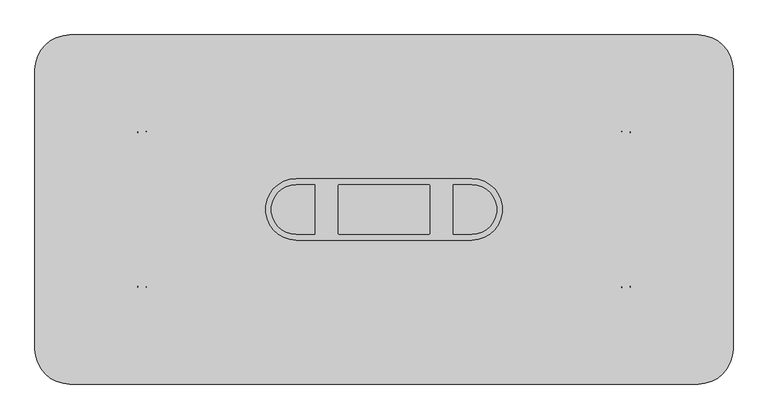
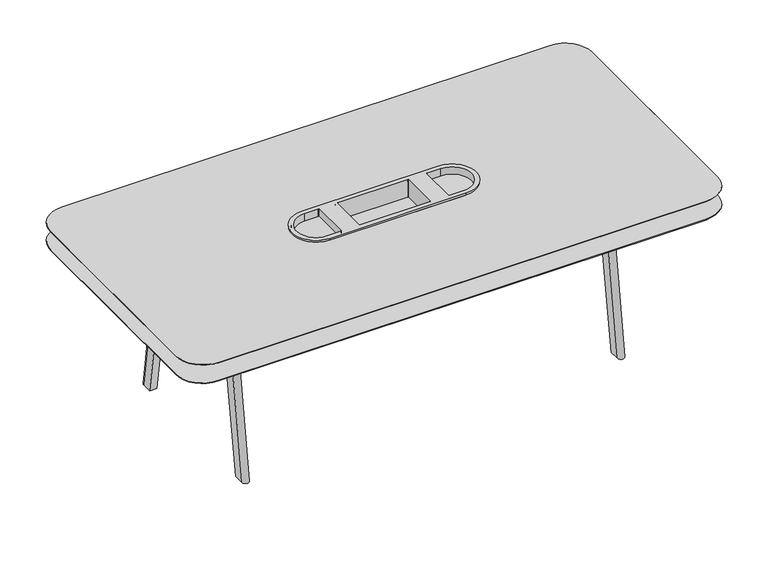
"""IFC4 building model written with IfcOpenShell, lengths in millimetres: furniture geometry."""

from ifc_helpers import new_model, si_unit, point, frame, frame_2d, origin, place, context, project, spatial, polyline, circle_curve, trimmed, segment, composite_curve, outline, extrude, source, transform, mapped, element, save
from ifc_brep_helpers import plane_surface, cylinder_surface, revolved_surface, extruded_surface, spline_surface, advanced_brep


def furniture_a4ee8072(model_context):
    return source(origin(), model_context, "Body", "SolidModel", [
        advanced_brep(
        [(-965.2126446, 612.4376784, 1001.6604441), (-965.2126446, 344.70244, 1001.6604441), (-198.6152508, 344.70244, 1001.6604441), (-198.6152508, 612.4376784, 1001.6604441), (-884.5666345, 584.0699817, 1001.6604441), (-884.5666345, 373.0701368, 1001.6604441), (-887.7416345, 369.8951368, 1001.6604441), (-965.1999637, 369.8951368, 1001.6604441), (-965.1999637, 587.2449817, 1001.6604441), (-887.7416345, 587.2449817, 1001.6604441), (-276.0862609, 369.8951368, 1001.6604441), (-279.2612609, 373.0701368, 1001.6604441), (-279.2612609, 584.0699817, 1001.6604441), (-276.0862609, 587.2449817, 1001.6604441), (-198.6279317, 587.2449817, 1001.6604441), (-198.6279317, 369.8951368, 1001.6604441), (-386.040826, 369.8951368, 1001.6604441), (-777.7870693, 369.8951368, 1001.6604441), (-780.9620693, 373.0701368, 1001.6604441), (-780.9620693, 584.0699817, 1001.6604441), (-777.7870693, 587.2449817, 1001.6604441), (-386.040826, 587.2449817, 1001.6604441), (-382.865826, 584.0699817, 1001.6604441), (-382.865826, 373.0701368, 1001.6604441), (-965.2126446, 612.4376784, 990.6), (-198.6152508, 612.4376784, 990.6), (-198.6152508, 344.70244, 990.6), (-965.2126446, 344.70244, 990.6), (-291.9612609, 584.0699817, 990.6), (-291.9612609, 373.0701368, 990.6), (-276.0862609, 357.1951368, 990.6), (-198.6279317, 357.1951368, 990.6), (-198.6279317, 599.9449817, 990.6), (-276.0862609, 599.9449817, 990.6), (-871.8666345, 584.0699817, 990.6), (-887.7416345, 599.9449817, 990.6), (-965.1999637, 599.9449817, 990.6), (-965.1999637, 357.1951368, 990.6), (-887.7416345, 357.1951368, 990.6), (-871.8666345, 373.0701368, 990.6), (-386.040826, 357.1951368, 990.6), (-370.165826, 373.0701368, 990.6), (-370.165826, 584.0699817, 990.6), (-386.040826, 599.9449817, 990.6), (-777.7870693, 599.9449817, 990.6), (-793.6620693, 584.0699817, 990.6), (-793.6620693, 373.0701368, 990.6), (-777.7870693, 357.1951368, 990.6), (-884.5666345, 373.0701368, 957.6625001), (-884.5666345, 584.0699817, 957.6625001), (-887.7416345, 587.2449817, 957.6625001), (-965.1999637, 587.2449817, 957.6625001), (-965.1999637, 369.8951368, 957.6625001), (-887.7416345, 369.8951368, 957.6625001), (-279.2612609, 373.0701368, 957.6625001), (-276.0862609, 369.8951368, 957.6625001), (-198.6279317, 369.8951368, 957.6625001), (-198.6279317, 587.2449817, 957.6625001), (-276.0862609, 587.2449817, 957.6625001), (-279.2612609, 584.0699817, 957.6625001), (-777.7870693, 369.8951368, 990.6), (-386.040826, 369.8951368, 990.6), (-386.040826, 369.8951368, 896.728609), (-777.7870693, 369.8951368, 896.728609), (-382.865826, 373.0701368, 990.6), (-382.865826, 584.0699817, 990.6), (-382.865826, 584.0699817, 896.728609), (-382.865826, 373.0701368, 896.728609), (-386.040826, 587.2449817, 990.6), (-777.7870693, 587.2449817, 990.6), (-777.7870693, 587.2449817, 896.728609), (-386.040826, 587.2449817, 896.728609), (-780.9620693, 584.0699817, 990.6), (-780.9620693, 373.0701368, 990.6), (-780.9620693, 373.0701368, 896.728609), (-780.9620693, 584.0699817, 896.728609), (-291.9612609, 584.0699817, 952.5), (-276.0862609, 599.9449817, 952.5), (-198.6279317, 599.9449817, 952.5), (-198.6279317, 357.1951368, 952.5), (-276.0862609, 357.1951368, 952.5), (-291.9612609, 373.0701368, 952.5), (-871.8666345, 584.0699817, 952.5), (-871.8666345, 373.0701368, 952.5), (-887.7416345, 357.1951368, 952.5), (-965.1999637, 357.1951368, 952.5), (-965.1999637, 599.9449817, 952.5), (-887.7416345, 599.9449817, 952.5), (-386.040826, 357.1951368, 890.2195719), (-777.7870693, 357.1951368, 890.2195719), (-793.6620693, 373.0701368, 890.2195719), (-793.6620693, 584.0699817, 890.2195719), (-777.7870693, 599.9449817, 890.2195719), (-386.040826, 599.9449817, 890.2195719), (-370.165826, 584.0699817, 890.2195719), (-370.165826, 373.0701368, 890.2195719)],
        [
            (0, 1, circle_curve(frame((-965.2126446, 478.5700592, 1001.6604441), z_axis=(0.0, 0.0, 1.0), x_axis=(1.0, 0.0, 0.0)), 133.8676192)),
            (1, 2),
            (2, 3, circle_curve(frame((-198.6152508, 478.5700592, 1001.6604441), z_axis=(0.0, 0.0, 1.0), x_axis=(1.0, 0.0, 0.0)), 133.8676192)),
            (3, 0),
            (4, 5),
            (5, 6, circle_curve(frame((-887.7416345, 373.0701368, 1001.6604441), z_axis=(0.0, 0.0, -1.0), x_axis=(1.0, 0.0, 0.0)), 3.175)),
            (6, 7),
            (7, 8, circle_curve(frame((-965.1999637, 478.5700592, 1001.6604441), z_axis=(0.0, 0.0, -1.0), x_axis=(-1.0, 0.0, 0.0)), 108.6749224)),
            (8, 9),
            (9, 4, circle_curve(frame((-887.7416345, 584.0699817, 1001.6604441), z_axis=(0.0, 0.0, -1.0), x_axis=(1.0, 0.0, 0.0)), 3.175)),
            (10, 11, circle_curve(frame((-276.0862609, 373.0701368, 1001.6604441), z_axis=(0.0, 0.0, -1.0), x_axis=(-1.0, 0.0, 0.0)), 3.175)),
            (11, 12),
            (12, 13, circle_curve(frame((-276.0862609, 584.0699817, 1001.6604441), z_axis=(0.0, 0.0, -1.0), x_axis=(-1.0, 0.0, 0.0)), 3.175)),
            (13, 14),
            (14, 15, circle_curve(frame((-198.6279317, 478.5700592, 1001.6604441), z_axis=(0.0, 0.0, -1.0), x_axis=(1.0, 0.0, 0.0)), 108.6749224)),
            (15, 10),
            (16, 17),
            (17, 18, circle_curve(frame((-777.7870693, 373.0701368, 1001.6604441), z_axis=(0.0, 0.0, -1.0), x_axis=(1.0, 0.0, 0.0)), 3.175)),
            (18, 19),
            (19, 20, circle_curve(frame((-777.7870693, 584.0699817, 1001.6604441), z_axis=(0.0, 0.0, -1.0), x_axis=(1.0, 0.0, 0.0)), 3.175)),
            (20, 21),
            (21, 22, circle_curve(frame((-386.040826, 584.0699817, 1001.6604441), z_axis=(0.0, 0.0, -1.0), x_axis=(1.0, 0.0, 0.0)), 3.175)),
            (22, 23),
            (23, 16, circle_curve(frame((-386.040826, 373.0701368, 1001.6604441), z_axis=(0.0, 0.0, -1.0), x_axis=(1.0, 0.0, 0.0)), 3.175)),
            (24, 25),
            (25, 26, circle_curve(frame((-198.6152508, 478.5700592, 990.6), z_axis=(0.0, 0.0, -1.0), x_axis=(1.0, 0.0, 0.0)), 133.8676192)),
            (26, 27),
            (27, 24, circle_curve(frame((-965.2126446, 478.5700592, 990.6), z_axis=(0.0, 0.0, -1.0), x_axis=(1.0, 0.0, 0.0)), 133.8676192)),
            (28, 29),
            (29, 30, circle_curve(frame((-276.0862609, 373.0701368, 990.6), z_axis=(0.0, 0.0, 1.0), x_axis=(1.0, 0.0, 0.0)), 15.875)),
            (30, 31),
            (31, 32, circle_curve(frame((-198.6279317, 478.5700592, 990.6), z_axis=(0.0, 0.0, 1.0), x_axis=(1.0, 0.0, 0.0)), 121.3749224)),
            (32, 33),
            (33, 28, circle_curve(frame((-276.0862609, 584.0699817, 990.6), z_axis=(0.0, 0.0, 1.0), x_axis=(1.0, 0.0, 0.0)), 15.875)),
            (34, 35, circle_curve(frame((-887.7416345, 584.0699817, 990.6), z_axis=(0.0, 0.0, 1.0), x_axis=(-1.0, 0.0, 0.0)), 15.875)),
            (35, 36),
            (36, 37, circle_curve(frame((-965.1999637, 478.5700592, 990.6), z_axis=(0.0, 0.0, 1.0), x_axis=(-1.0, 0.0, 0.0)), 121.3749224)),
            (37, 38),
            (38, 39, circle_curve(frame((-887.7416345, 373.0701368, 990.6), z_axis=(0.0, 0.0, 1.0), x_axis=(-1.0, 0.0, 0.0)), 15.875)),
            (39, 34),
            (40, 41, circle_curve(frame((-386.040826, 373.0701368, 990.6), z_axis=(0.0, 0.0, 1.0), x_axis=(1.0, 0.0, 0.0)), 15.875)),
            (41, 42),
            (42, 43, circle_curve(frame((-386.040826, 584.0699817, 990.6), z_axis=(0.0, 0.0, 1.0), x_axis=(1.0, 0.0, 0.0)), 15.875)),
            (43, 44),
            (44, 45, circle_curve(frame((-777.7870693, 584.0699817, 990.6), z_axis=(0.0, 0.0, 1.0), x_axis=(1.0, 0.0, 0.0)), 15.875)),
            (45, 46),
            (46, 47, circle_curve(frame((-777.7870693, 373.0701368, 990.6), z_axis=(0.0, 0.0, 1.0), x_axis=(1.0, 0.0, 0.0)), 15.875)),
            (47, 40),
            (0, 24),
            (27, 1),
            (26, 2),
            (25, 3),
            (48, 49),
            (49, 50, circle_curve(frame((-887.7416345, 584.0699817, 957.6625001), z_axis=(0.0, 0.0, 1.0), x_axis=(1.0, 0.0, 0.0)), 3.175)),
            (50, 51),
            (51, 52, circle_curve(frame((-965.1999637, 478.5700592, 957.6625001), z_axis=(0.0, 0.0, 1.0), x_axis=(-1.0, 0.0, 0.0)), 108.6749224)),
            (52, 53),
            (53, 48, circle_curve(frame((-887.7416345, 373.0701368, 957.6625001), z_axis=(0.0, 0.0, 1.0), x_axis=(1.0, 0.0, 0.0)), 3.175)),
            (54, 55, circle_curve(frame((-276.0862609, 373.0701368, 957.6625001), z_axis=(0.0, 0.0, 1.0), x_axis=(-1.0, 0.0, 0.0)), 3.175)),
            (55, 56),
            (56, 57, circle_curve(frame((-198.6279317, 478.5700592, 957.6625001), z_axis=(0.0, 0.0, 1.0), x_axis=(1.0, 0.0, 0.0)), 108.6749224)),
            (57, 58),
            (58, 59, circle_curve(frame((-276.0862609, 584.0699817, 957.6625001), z_axis=(0.0, 0.0, 1.0), x_axis=(-1.0, 0.0, 0.0)), 3.175)),
            (59, 54),
            (48, 5),
            (4, 49),
            (9, 50),
            (8, 51),
            (7, 52),
            (6, 53),
            (54, 11),
            (10, 55),
            (15, 56),
            (14, 57),
            (13, 58),
            (12, 59),
            (60, 17),
            (16, 61),
            (61, 62),
            (62, 63),
            (63, 60),
            (23, 64),
            (64, 61, circle_curve(frame((-386.040826, 373.0701368, 990.6), z_axis=(0.0, 0.0, -1.0), x_axis=(1.0, 0.0, 0.0)), 3.175)),
            (22, 65),
            (65, 66),
            (66, 67),
            (67, 64),
            (21, 68),
            (68, 65, circle_curve(frame((-386.040826, 584.0699817, 990.6), z_axis=(0.0, 0.0, -1.0), x_axis=(1.0, 0.0, 0.0)), 3.175)),
            (20, 69),
            (69, 70),
            (70, 71),
            (71, 68),
            (19, 72),
            (72, 69, circle_curve(frame((-777.7870693, 584.0699817, 990.6), z_axis=(0.0, 0.0, -1.0), x_axis=(1.0, 0.0, 0.0)), 3.175)),
            (18, 73),
            (73, 74),
            (74, 75),
            (75, 72),
            (60, 73, circle_curve(frame((-777.7870693, 373.0701368, 990.6), z_axis=(0.0, 0.0, -1.0), x_axis=(1.0, 0.0, 0.0)), 3.175)),
            (76, 77, circle_curve(frame((-276.0862609, 584.0699817, 952.5), z_axis=(0.0, 0.0, -1.0), x_axis=(1.0, 0.0, 0.0)), 15.875)),
            (77, 78),
            (78, 79, circle_curve(frame((-198.6279317, 478.5700592, 952.5), z_axis=(0.0, 0.0, -1.0), x_axis=(1.0, 0.0, 0.0)), 121.3749224)),
            (79, 80),
            (80, 81, circle_curve(frame((-276.0862609, 373.0701368, 952.5), z_axis=(0.0, 0.0, -1.0), x_axis=(1.0, 0.0, 0.0)), 15.875)),
            (81, 76),
            (82, 83),
            (83, 84, circle_curve(frame((-887.7416345, 373.0701368, 952.5), z_axis=(0.0, 0.0, -1.0), x_axis=(-1.0, 0.0, 0.0)), 15.875)),
            (84, 85),
            (85, 86, circle_curve(frame((-965.1999637, 478.5700592, 952.5), z_axis=(0.0, 0.0, -1.0), x_axis=(-1.0, 0.0, 0.0)), 121.3749224)),
            (86, 87),
            (87, 82, circle_curve(frame((-887.7416345, 584.0699817, 952.5), z_axis=(0.0, 0.0, -1.0), x_axis=(-1.0, 0.0, 0.0)), 15.875)),
            (81, 29),
            (28, 76),
            (80, 30),
            (79, 31),
            (78, 32),
            (77, 33),
            (87, 35),
            (34, 82),
            (86, 36),
            (85, 37),
            (84, 38),
            (83, 39),
            (88, 89),
            (89, 90, circle_curve(frame((-777.7870693, 373.0701368, 890.2195719), z_axis=(0.0, 0.0, -1.0), x_axis=(1.0, 0.0, 0.0)), 15.875)),
            (90, 91),
            (91, 92, circle_curve(frame((-777.7870693, 584.0699817, 890.2195719), z_axis=(0.0, 0.0, -1.0), x_axis=(1.0, 0.0, 0.0)), 15.875)),
            (92, 93),
            (93, 94, circle_curve(frame((-386.040826, 584.0699817, 890.2195719), z_axis=(0.0, 0.0, -1.0), x_axis=(1.0, 0.0, 0.0)), 15.875)),
            (94, 95),
            (95, 88, circle_curve(frame((-386.040826, 373.0701368, 890.2195719), z_axis=(0.0, 0.0, -1.0), x_axis=(1.0, 0.0, 0.0)), 15.875)),
            (95, 41),
            (40, 88),
            (94, 42),
            (93, 43),
            (92, 44),
            (91, 45),
            (90, 46),
            (89, 47),
            (62, 67, circle_curve(frame((-386.040826, 373.0701368, 896.728609), z_axis=(0.0, 0.0, 1.0), x_axis=(1.0, 0.0, 0.0)), 3.175)),
            (66, 71, circle_curve(frame((-386.040826, 584.0699817, 896.728609), z_axis=(0.0, 0.0, 1.0), x_axis=(1.0, 0.0, 0.0)), 3.175)),
            (70, 75, circle_curve(frame((-777.7870693, 584.0699817, 896.728609), z_axis=(0.0, 0.0, 1.0), x_axis=(1.0, 0.0, 0.0)), 3.175)),
            (74, 63, circle_curve(frame((-777.7870693, 373.0701368, 896.728609), z_axis=(0.0, 0.0, 1.0), x_axis=(1.0, 0.0, 0.0)), 3.175)),
        ],
        [
            plane_surface(frame((-831.3450254, 478.5700592, 1001.6604441), z_axis=(0.0, 0.0, 1.0), x_axis=(0.0, 1.0, 0.0))),
            plane_surface(frame((-831.3450254, 478.5700592, 990.6), z_axis=(0.0, 0.0, -1.0), x_axis=(0.0, -1.0, 0.0))),
            cylinder_surface(frame((-965.2126446, 478.5700592, 990.6), z_axis=(0.0, 0.0, 1.0), x_axis=(1.0, 0.0, 0.0)), 133.8676192),
            plane_surface(frame((-965.2126446, 344.70244, 1001.6604441), z_axis=(0.0, -1.0, 0.0), x_axis=(0.0, 0.0, -1.0))),
            cylinder_surface(frame((-198.6152508, 478.5700592, 990.6), z_axis=(0.0, 0.0, 1.0), x_axis=(1.0, 0.0, 0.0)), 133.8676192),
            plane_surface(frame((-198.6152508, 612.4376784, 1001.6604441), z_axis=(0.0, 1.0, 0.0), x_axis=(0.0, 0.0, -1.0))),
            plane_surface(frame((-884.5666345, 584.0699817, 957.6625001), z_axis=(0.0, 0.0, 1.0), x_axis=(0.0, -1.0, 0.0))),
            plane_surface(frame((-884.5666345, 373.0701368, 1009.65), z_axis=(-1.0, 0.0, 0.0), x_axis=(0.0, 0.0, -1.0))),
            revolved_surface(polyline([(-884.5666345000001, 584.0699817, 1001.6604441), (-884.5666345000001, 584.0699817, 957.6625001)]), (-887.7416345, 584.0699817, 957.6625001), (0.0, 0.0, 1.0)),
            plane_surface(frame((-887.7416345, 587.2449817, 1009.65), z_axis=(0.0, -1.0, 0.0), x_axis=(0.0, 0.0, -1.0))),
            revolved_surface(polyline([(-1073.8748861, 478.5700592, 1001.6604441), (-1073.8748861, 478.5700592, 957.6625001)]), (-965.1999637, 478.5700592, 957.6625001), (0.0, 0.0, 1.0)),
            plane_surface(frame((-965.1999637, 369.8951368, 1009.65), z_axis=(0.0, 1.0, 0.0), x_axis=(0.0, 0.0, -1.0))),
            revolved_surface(polyline([(-884.5666345000001, 373.0701368, 1001.6604441), (-884.5666345000001, 373.0701368, 957.6625001)]), (-887.7416345, 373.0701368, 957.6625001), (0.0, 0.0, 1.0)),
            revolved_surface(polyline([(-279.2612609, 373.0701368, 1001.6604441), (-279.2612609, 373.0701368, 957.6625001)]), (-276.0862609, 373.0701368, 1152.5113746), (0.0, 0.0, 1.0)),
            plane_surface(frame((-276.0862609, 369.8951368, 1009.65), z_axis=(0.0, 1.0, 0.0), x_axis=(0.0, 0.0, -1.0))),
            revolved_surface(polyline([(-89.9530093, 478.5700592, 1001.6604441), (-89.9530093, 478.5700592, 957.6625001)]), (-198.6279317, 478.5700592, 1152.5113746), (0.0, 0.0, 1.0)),
            plane_surface(frame((-198.6279317, 587.2449817, 1009.65), z_axis=(0.0, -1.0, 0.0), x_axis=(0.0, 0.0, -1.0))),
            revolved_surface(polyline([(-279.2612609, 584.0699817, 1001.6604441), (-279.2612609, 584.0699817, 957.6625001)]), (-276.0862609, 584.0699817, 1152.5113746), (0.0, 0.0, 1.0)),
            plane_surface(frame((-279.2612609, 584.0699817, 1009.65), z_axis=(1.0, 0.0, 0.0), x_axis=(0.0, 0.0, -1.0))),
            plane_surface(frame((-777.7870693, 369.8951368, 1009.65), z_axis=(0.0, 1.0, 0.0), x_axis=(0.0, 0.0, -1.0))),
            revolved_surface(polyline([(-382.86582599999997, 373.0701368, 1001.6604441), (-382.86582599999997, 373.0701368, 990.6)]), (-386.040826, 373.0701368, 896.728609), (0.0, 0.0, 1.0)),
            plane_surface(frame((-382.865826, 373.0701368, 1009.65), z_axis=(-1.0, 0.0, 0.0), x_axis=(0.0, 0.0, -1.0))),
            revolved_surface(polyline([(-382.86582599999997, 584.0699817, 1001.6604441), (-382.86582599999997, 584.0699817, 990.6)]), (-386.040826, 584.0699817, 896.728609), (0.0, 0.0, 1.0)),
            plane_surface(frame((-386.040826, 587.2449817, 1009.65), z_axis=(0.0, -1.0, 0.0), x_axis=(0.0, 0.0, -1.0))),
            revolved_surface(polyline([(-774.6120693, 584.0699817, 1001.6604441), (-774.6120693, 584.0699817, 990.6)]), (-777.7870693, 584.0699817, 896.728609), (0.0, 0.0, 1.0)),
            plane_surface(frame((-780.9620693, 584.0699817, 1009.65), z_axis=(1.0, 0.0, 0.0), x_axis=(0.0, 0.0, -1.0))),
            revolved_surface(polyline([(-774.6120693, 373.0701368, 1001.6604441), (-774.6120693, 373.0701368, 990.6)]), (-777.7870693, 373.0701368, 896.728609), (0.0, 0.0, 1.0)),
            plane_surface(frame((-291.9612609, 373.0604656, 952.5), z_axis=(0.0, 0.0, -1.0), x_axis=(0.0, 1.0, 0.0))),
            plane_surface(frame((-291.9612609, 584.0699817, 990.6), z_axis=(-1.0, 0.0, 0.0), x_axis=(0.0, 0.0, -1.0))),
            cylinder_surface(frame((-276.0862609, 373.0701368, 952.5), z_axis=(0.0, 0.0, 1.0), x_axis=(1.0, 0.0, 0.0)), 15.875),
            plane_surface(frame((-276.0862609, 357.1951368, 990.6), z_axis=(0.0, -1.0, 0.0), x_axis=(0.0, 0.0, -1.0))),
            cylinder_surface(frame((-198.6279317, 478.5700592, 952.5), z_axis=(0.0, 0.0, 1.0), x_axis=(1.0, 0.0, 0.0)), 121.3749224),
            plane_surface(frame((-198.6279317, 599.9449817, 990.6), z_axis=(0.0, 1.0, 0.0), x_axis=(0.0, 0.0, -1.0))),
            cylinder_surface(frame((-276.0862609, 584.0699817, 952.5), z_axis=(0.0, 0.0, 1.0), x_axis=(1.0, 0.0, 0.0)), 15.875),
            cylinder_surface(frame((-887.7416345, 584.0699817, 1152.5113746), z_axis=(0.0, 0.0, 1.0), x_axis=(-1.0, 0.0, 0.0)), 15.875),
            plane_surface(frame((-887.7416345, 599.9449817, 990.6), z_axis=(0.0, 1.0, 0.0), x_axis=(0.0, 0.0, -1.0))),
            cylinder_surface(frame((-965.1999637, 478.5700592, 1152.5113746), z_axis=(0.0, 0.0, 1.0), x_axis=(-1.0, 0.0, 0.0)), 121.3749224),
            plane_surface(frame((-965.1999637, 357.1951368, 990.6), z_axis=(0.0, -1.0, 0.0), x_axis=(0.0, 0.0, -1.0))),
            cylinder_surface(frame((-887.7416345, 373.0701368, 1152.5113746), z_axis=(0.0, 0.0, 1.0), x_axis=(-1.0, 0.0, 0.0)), 15.875),
            plane_surface(frame((-871.8666345, 373.0701368, 990.6), z_axis=(1.0, 0.0, 0.0), x_axis=(0.0, 0.0, -1.0))),
            plane_surface(frame((-370.165826, 373.0701368, 890.2195719), z_axis=(0.0, 0.0, -1.0), x_axis=(0.0, -1.0, 0.0))),
            cylinder_surface(frame((-386.040826, 373.0701368, 890.2195719), z_axis=(0.0, 0.0, 1.0), x_axis=(1.0, 0.0, 0.0)), 15.875),
            plane_surface(frame((-370.165826, 373.0701368, 990.6), z_axis=(1.0, 0.0, 0.0), x_axis=(0.0, 0.0, -1.0))),
            cylinder_surface(frame((-386.040826, 584.0699817, 890.2195719), z_axis=(0.0, 0.0, 1.0), x_axis=(1.0, 0.0, 0.0)), 15.875),
            plane_surface(frame((-386.040826, 599.9449817, 990.6), z_axis=(0.0, 1.0, 0.0), x_axis=(0.0, 0.0, -1.0))),
            cylinder_surface(frame((-777.7870693, 584.0699817, 890.2195719), z_axis=(0.0, 0.0, 1.0), x_axis=(1.0, 0.0, 0.0)), 15.875),
            plane_surface(frame((-793.6620693, 584.0699817, 990.6), z_axis=(-1.0, 0.0, 0.0), x_axis=(0.0, 0.0, -1.0))),
            cylinder_surface(frame((-777.7870693, 373.0701368, 890.2195719), z_axis=(0.0, 0.0, 1.0), x_axis=(1.0, 0.0, 0.0)), 15.875),
            plane_surface(frame((-777.7870693, 357.1951368, 990.6), z_axis=(0.0, -1.0, 0.0), x_axis=(0.0, 0.0, -1.0))),
            plane_surface(frame((-386.040826, 369.8951368, 896.728609), z_axis=(0.0, 0.0, 1.0), x_axis=(-1.0, 0.0, 0.0))),
            revolved_surface(polyline([(-382.86582599999997, 373.0701368, 990.6), (-382.86582599999997, 373.0701368, 896.728609)]), (-386.040826, 373.0701368, 896.728609), (0.0, 0.0, 1.0)),
            revolved_surface(polyline([(-382.86582599999997, 584.0699817, 990.6), (-382.86582599999997, 584.0699817, 896.728609)]), (-386.040826, 584.0699817, 896.728609), (0.0, 0.0, 1.0)),
            revolved_surface(polyline([(-774.6120693, 584.0699817, 990.6), (-774.6120693, 584.0699817, 896.728609)]), (-777.7870693, 584.0699817, 896.728609), (0.0, 0.0, 1.0)),
            revolved_surface(polyline([(-774.6120693, 373.0701368, 990.6), (-774.6120693, 373.0701368, 896.728609)]), (-777.7870693, 373.0701368, 896.728609), (0.0, 0.0, 1.0)),
        ],
        [
            (0, [[1, 2, 3, 4], [5, 6, 7, 8, 9, 10], [11, 12, 13, 14, 15, 16], [17, 18, 19, 20, 21, 22, 23, 24]]),
            (1, [[25, 26, 27, 28], [29, 30, 31, 32, 33, 34], [35, 36, 37, 38, 39, 40], [41, 42, 43, 44, 45, 46, 47, 48]]),
            (2, [[-1, 49, -28, 50]]),
            (3, [[-2, -50, -27, 51]]),
            (4, [[-3, -51, -26, 52]]),
            (5, [[-4, -52, -25, -49]]),
            (6, [[53, 54, 55, 56, 57, 58]]),
            (6, [[59, 60, 61, 62, 63, 64]]),
            (7, [[-53, 65, -5, 66]]),
            (8, [[-54, -66, -10, 67]]),
            (9, [[-55, -67, -9, 68]]),
            (10, [[-56, -68, -8, 69]]),
            (11, [[-57, -69, -7, 70]]),
            (12, [[-58, -70, -6, -65]]),
            (13, [[-59, 71, -11, 72]]),
            (14, [[-60, -72, -16, 73]]),
            (15, [[-61, -73, -15, 74]]),
            (16, [[-62, -74, -14, 75]]),
            (17, [[-63, -75, -13, 76]]),
            (18, [[-64, -76, -12, -71]]),
            (19, [[77, -17, 78, 79, 80, 81]]),
            (20, [[-78, -24, 82, 83]]),
            (21, [[-82, -23, 84, 85, 86, 87]]),
            (22, [[-84, -22, 88, 89]]),
            (23, [[-88, -21, 90, 91, 92, 93]]),
            (24, [[-90, -20, 94, 95]]),
            (25, [[-94, -19, 96, 97, 98, 99]]),
            (26, [[-77, 100, -96, -18]]),
            (27, [[101, 102, 103, 104, 105, 106]]),
            (27, [[107, 108, 109, 110, 111, 112]]),
            (28, [[-106, 113, -29, 114]]),
            (29, [[-105, 115, -30, -113]]),
            (30, [[-104, 116, -31, -115]]),
            (31, [[-103, 117, -32, -116]]),
            (32, [[-102, 118, -33, -117]]),
            (33, [[-101, -114, -34, -118]]),
            (34, [[-112, 119, -35, 120]]),
            (35, [[-111, 121, -36, -119]]),
            (36, [[-110, 122, -37, -121]]),
            (37, [[-109, 123, -38, -122]]),
            (38, [[-108, 124, -39, -123]]),
            (39, [[-107, -120, -40, -124]]),
            (40, [[125, 126, 127, 128, 129, 130, 131, 132]]),
            (41, [[-132, 133, -41, 134]]),
            (42, [[-131, 135, -42, -133]]),
            (43, [[-130, 136, -43, -135]]),
            (44, [[-129, 137, -44, -136]]),
            (45, [[-128, 138, -45, -137]]),
            (46, [[-127, 139, -46, -138]]),
            (47, [[-126, 140, -47, -139]]),
            (48, [[-125, -134, -48, -140]]),
            (49, [[-80, 141, -86, 142, -92, 143, -98, 144]]),
            (50, [[-141, -79, -83, -87]]),
            (51, [[-142, -85, -89, -93]]),
            (52, [[-143, -91, -95, -99]]),
            (53, [[-144, -97, -100, -81]]),
        ],
    ),
        extrude(outline(composite_curve([segment(trimmed(circle_curve(frame_2d((789.6860523, 1088.1700592)), 152.4), [point((789.6860523, 1240.5700592))], [point((942.0860523, 1088.1700592))], False, "CARTESIAN"), True, "CONTINUOUS"), segment(polyline([(942.0860523, 1088.1700592), (942.0860523, -131.0299408)]), True, "CONTINUOUS"), segment(trimmed(circle_curve(frame_2d((789.6860523, -131.0299408)), 152.4), [point((942.0860523, -131.0299408))], [point((789.6860523, -283.4299408))], False, "CARTESIAN"), True, "CONTINUOUS"), segment(polyline([(789.6860523, -283.4299408), (-1953.5139477, -283.4299408)]), True, "CONTINUOUS"), segment(trimmed(circle_curve(frame_2d((-1953.5139477, -131.0299408)), 152.4), [point((-1953.5139477, -283.4299408))], [point((-2105.9139477, -131.0299408))], False, "CARTESIAN"), True, "CONTINUOUS"), segment(polyline([(-2105.9139477, -131.0299408), (-2105.9139477, 1088.1700592)]), True, "CONTINUOUS"), segment(trimmed(circle_curve(frame_2d((-1953.5139477, 1088.1700592)), 152.4), [point((-2105.9139477, 1088.1700592))], [point((-1953.5139477, 1240.5700592))], False, "CARTESIAN"), True, "CONTINUOUS"), segment(polyline([(-1953.5139477, 1240.5700592), (789.6860523, 1240.5700592)]), True, "CONTINUOUS")], self_intersect=False)), frame((0.0, 0.0, 878.1216427), z_axis=(0.0, 0.0, 1.0), x_axis=(1.0, 0.0, 0.0)), (0.0, 0.0, 1.0), 3.175),
        extrude(outline(composite_curve([segment(trimmed(circle_curve(frame_2d((789.6860523, 1088.1700592)), 152.4), [point((789.6860523, 1240.5700592))], [point((942.0860523, 1088.1700592))], False, "CARTESIAN"), True, "CONTINUOUS"), segment(polyline([(942.0860523, 1088.1700592), (942.0860523, -131.0299408)]), True, "CONTINUOUS"), segment(trimmed(circle_curve(frame_2d((789.6860523, -131.0299408)), 152.4), [point((942.0860523, -131.0299408))], [point((789.6860523, -283.4299408))], False, "CARTESIAN"), True, "CONTINUOUS"), segment(polyline([(789.6860523, -283.4299408), (-1953.5139477, -283.4299408)]), True, "CONTINUOUS"), segment(trimmed(circle_curve(frame_2d((-1953.5139477, -131.0299408)), 152.4), [point((-1953.5139477, -283.4299408))], [point((-2105.9139477, -131.0299408))], False, "CARTESIAN"), True, "CONTINUOUS"), segment(polyline([(-2105.9139477, -131.0299408), (-2105.9139477, 1088.1700592)]), True, "CONTINUOUS"), segment(trimmed(circle_curve(frame_2d((-1953.5139477, 1088.1700592)), 152.4), [point((-2105.9139477, 1088.1700592))], [point((-1953.5139477, 1240.5700592))], False, "CARTESIAN"), True, "CONTINUOUS"), segment(polyline([(-1953.5139477, 1240.5700592), (789.6860523, 1240.5700592)]), True, "CONTINUOUS")], self_intersect=False), holes=[composite_curve([segment(polyline([(-581.9139477, 612.3384173), (-957.7028888, 612.3384173)]), True, "CONTINUOUS"), segment(trimmed(circle_curve(frame_2d((-957.7028888, 478.5700592)), 133.7683581), [point((-957.7028888, 612.3384173))], [point((-957.7028888, 344.8017011))], True, "CARTESIAN"), True, "CONTINUOUS"), segment(polyline([(-957.7028888, 344.8017011), (-581.9139477, 344.8017011), (-205.70937, 344.8017011)]), True, "CONTINUOUS"), segment(trimmed(circle_curve(frame_2d((-205.70937, 478.5700592)), 133.7683581), [point((-205.70937, 344.8017011))], [point((-205.70937, 612.3384173))], True, "CARTESIAN"), True, "CONTINUOUS"), segment(polyline([(-205.70937, 612.3384173), (-581.9139477, 612.3384173)]), True, "CONTINUOUS")], self_intersect=False)]), frame((0.0, 0.0, 987.9563894), z_axis=(0.0, 0.0, 1.0), x_axis=(1.0, 0.0, 0.0)), (0.0, 0.0, 1.0), 2.6436106),
        advanced_brep(
        [(789.686016, 1240.5700592, 987.9563894), (-408.1414617, 1240.5700592, 987.9563894), (-1951.2279438, 1240.5700592, 987.9563894), (-2105.9139477, 1085.8840553, 987.9563894), (-2105.9139477, -131.0299408, 987.9563894), (-1953.5139477, -283.4299408, 987.9563894), (-408.1414617, -283.4299408, 987.9563894), (789.7088442, -283.4299408, 987.9563894), (942.0860523, -131.0527327, 987.9563894), (942.0860523, 438.4859882, 987.9563894), (942.0860523, 823.4541302, 987.9563894), (942.0860523, 1088.1700229, 987.9563894), (-957.7028888, 612.3384173, 987.9563894), (-581.9139477, 612.3384173, 987.9563894), (-205.70937, 612.3384173, 987.9563894), (-205.70937, 344.8017011, 987.9563894), (-581.9139477, 344.8017011, 987.9563894), (-957.7028888, 344.8017011, 987.9563894), (789.686016, 1189.7700592, 967.1357346), (891.2860523, 1088.1700229, 967.1357346), (891.2860523, 1019.898828, 967.1357346), (891.2860523, 460.7920856, 967.1357346), (891.2860523, -131.0299166, 967.1357346), (789.6860523, -232.6299166, 967.1357346), (-427.9413185, -232.6299166, 967.1357346), (-1951.2279438, -232.6299166, 967.1357346), (-2052.8279438, -131.0299166, 967.1357346), (-2052.8279438, 1088.1700592, 967.1357346), (-1951.2279438, 1189.7700592, 967.1357346), (-581.9139477, 612.3384173, 967.1357346), (-957.7028888, 612.3384173, 967.1357346), (-957.7028888, 344.8017011, 967.1357346), (-581.9139477, 344.8017011, 967.1357346), (-205.70937, 344.8017011, 967.1357346), (-205.70937, 612.3384173, 967.1357346)],
        [
            (0, 1),
            (1, 2),
            (2, 3, circle_curve(frame((-1951.2279438, 1085.8840553, 987.9563894), z_axis=(0.0, 0.0, 1.0), x_axis=(0.0, -1.0, 0.0)), 154.6860039)),
            (3, 4),
            (4, 5, circle_curve(frame((-1953.5139477, -131.0299408, 987.9563894), z_axis=(0.0, 0.0, 1.0), x_axis=(0.0, -1.0, 0.0)), 152.4)),
            (5, 6),
            (6, 7),
            (7, 8, circle_curve(frame((789.7088442, -131.0527327, 987.9563894), z_axis=(0.0, 0.0, 1.0), x_axis=(0.0, -1.0, 0.0)), 152.3772081)),
            (8, 9),
            (9, 10),
            (10, 11),
            (11, 0, circle_curve(frame((789.686016, 1088.1700229, 987.9563894), z_axis=(3.0815494413464367e-12, -4.927878642490715e-12, 1.0), x_axis=(1.0, 0.0, -3.0815236183479727e-12)), 152.4000363)),
            (12, 13),
            (13, 14),
            (14, 15, circle_curve(frame((-205.70937, 478.5700592, 987.9563894), z_axis=(0.0, 0.0, -1.0), x_axis=(1.0, 0.0, 0.0)), 133.7683581)),
            (15, 16),
            (16, 17),
            (17, 12, circle_curve(frame((-957.7028888, 478.5700592, 987.9563894), z_axis=(0.0, 0.0, -1.0), x_axis=(1.0, 0.0, 0.0)), 133.7683581)),
            (18, 19, circle_curve(frame((789.686016, 1088.1700229, 967.1357346), z_axis=(-3.0815494413464367e-12, 4.927878642490715e-12, -1.0), x_axis=(1.0, 0.0, -3.0815236183479727e-12)), 101.6000363)),
            (19, 20),
            (20, 21),
            (21, 22),
            (22, 23, circle_curve(frame((789.6860523, -131.0299166, 967.1357346), z_axis=(0.0, 0.0, -1.0), x_axis=(0.0, -1.0, 0.0)), 101.6)),
            (23, 24),
            (24, 25),
            (25, 26, circle_curve(frame((-1951.2279438, -131.0299166, 967.1357346), z_axis=(0.0, 0.0, -1.0), x_axis=(0.0, -1.0, 0.0)), 101.6)),
            (26, 27),
            (27, 28, circle_curve(frame((-1951.2279438, 1088.1700592, 967.1357346), z_axis=(0.0, 0.0, -1.0), x_axis=(0.0, -1.0, 0.0)), 101.6)),
            (28, 18),
            (29, 30),
            (30, 31, circle_curve(frame((-957.7028888, 478.5700592, 967.1357346), z_axis=(0.0, 0.0, 1.0), x_axis=(1.0, 0.0, 0.0)), 133.7683581)),
            (31, 32),
            (32, 33),
            (33, 34, circle_curve(frame((-205.70937, 478.5700592, 967.1357346), z_axis=(0.0, 0.0, 1.0), x_axis=(1.0, 0.0, 0.0)), 133.7683581)),
            (34, 29),
            (1, 18),
            (28, 2),
            (27, 3),
            (26, 4),
            (25, 5),
            (24, 6),
            (9, 21),
            (20, 10),
            (23, 7),
            (22, 8),
            (19, 11),
            (18, 0),
            (29, 13),
            (12, 30),
            (17, 31),
            (16, 32),
            (15, 33),
            (14, 34),
        ],
        [
            plane_surface(frame((-298.7594701, 503.7776565, 987.9563894), z_axis=(0.0, 0.0, 1.0), x_axis=(-1.0, 0.0, 0.0))),
            plane_surface(frame((-299.2306196, 461.5110483, 967.1357346), z_axis=(0.0, 0.0, -1.0), x_axis=(-1.0, 0.0, 0.0))),
            plane_surface(frame((-580.7709639, 1189.7700592, 967.1357346), z_axis=(0.0, 0.3792387434874415, -0.9252988573634285), x_axis=(-1.0, 0.0, 0.0))),
            spline_surface(2, 1, [[(-1951.2279438, 1189.7700592, 967.1357346), (-1951.2279438, 1240.5700592, 987.9563894)], [(-2052.8279438, 1189.7700592000003, 967.1357346), (-2105.9139477, 1240.5700592000003, 987.9563894)], [(-2052.8279438, 1088.1700592, 967.1357346), (-2105.9139477, 1085.8840553, 987.9563894)]], [3, 3], [2, 2], [0.0, 1.0], [0.0, 1.0], weights=[[1.0, 1.0], [0.707106781186547, 0.707106781186547], [1.0, 1.0]]),
            plane_surface(frame((-2052.8279438, 478.5700713, 967.1357346), z_axis=(-0.3651272616952556, 0.0, -0.930957615988464), x_axis=(0.0, -1.0, 0.0))),
            spline_surface(2, 1, [[(-2052.8279438, -131.0299166, 967.1357346), (-2105.9139477, -131.0299408, 987.9563894)], [(-2052.8279438, -232.62991659999992, 967.1357346), (-2105.9139477, -283.4299407999998, 987.9563894)], [(-1951.2279438, -232.6299166, 967.1357346), (-1953.5139477, -283.4299408, 987.9563894)]], [3, 3], [2, 2], [0.0, 1.0], [0.0, 1.0], weights=[[1.0, 1.0], [0.7071067811865478, 0.7071067811865478], [1.0, 1.0]]),
            plane_surface(frame((-1189.5846311, -232.6299166, 967.1357346), z_axis=(0.0, -0.37923858865960286, -0.9252989208204409), x_axis=(1.0, 0.0, 0.0))),
            plane_surface(frame((891.2860523, 740.3454568, 967.1357346), z_axis=(0.3792387434863428, 0.0, -0.925298857363879), x_axis=(0.0, 1.0, 0.0))),
            plane_surface(frame((180.8723669, -232.6299166, 967.1357346), z_axis=(0.0, -0.3792385886595956, -0.925298920820444), x_axis=(1.0, 0.0, 0.0))),
            spline_surface(2, 1, [[(789.6860523, -232.6299166, 967.1357346), (789.7088442, -283.4299408, 987.9563894)], [(891.2860523, -232.62991660000003, 967.1357346), (942.0860523, -283.42994080000005, 987.9563894)], [(891.2860523, -131.0299166, 967.1357346), (942.0860523, -131.0527327, 987.9563894)]], [3, 3], [2, 2], [0.0, 1.0], [0.0, 1.0], weights=[[1.0, 1.0], [0.7071067811865475, 0.7071067811865475], [1.0, 1.0]]),
            plane_surface(frame((891.2860523, 164.8810845, 967.1357346), z_axis=(0.3792387434863428, 0.0, -0.925298857363879), x_axis=(0.0, 1.0, 0.0))),
            plane_surface(frame((891.2860523, 1054.0344255, 967.1357346), z_axis=(0.3792387434863428, 0.0, -0.925298857363879), x_axis=(0.0, 1.0, 0.0))),
            revolved_surface(polyline([(789.686016, 1189.7700593807535, 967.1357346), (789.686016, 1240.5700592029782, 987.9563894012207)]), (789.686016, 1088.1700229, 925.4944099), (3.0815494413464367e-12, -4.927878642490715e-12, 1.0)),
            plane_surface(frame((789.686016, 1189.7700592, 967.1357346), z_axis=(0.0, 0.379238743487408, -0.9252988573634423), x_axis=(-1.0, 0.0, 0.0))),
            plane_surface(frame((-581.9139477, 612.3384173, 1106.5776141), z_axis=(0.0, -1.0, 0.0), x_axis=(0.0, 0.0, -1.0))),
            revolved_surface(polyline([(-823.9345307, 478.5700592, 987.9563894), (-823.9345307, 478.5700592, 967.1357346)]), (-957.7028888, 478.5700592, 649.3776141), (0.0, 0.0, 1.0)),
            plane_surface(frame((-957.7028888, 344.8017011, 1106.5776141), z_axis=(0.0, 1.0, 0.0), x_axis=(0.0, 0.0, -1.0))),
            plane_surface(frame((-581.9139477, 344.8017011, 1106.5776141), z_axis=(0.0, 1.0, 0.0), x_axis=(0.0, 0.0, -1.0))),
            revolved_surface(polyline([(-71.9410119, 478.5700592, 987.9563894), (-71.9410119, 478.5700592, 967.1357346)]), (-205.70937, 478.5700592, 649.3776141), (0.0, 0.0, 1.0)),
            plane_surface(frame((-205.70937, 612.3384173, 1106.5776141), z_axis=(0.0, -1.0, 0.0), x_axis=(0.0, 0.0, -1.0))),
        ],
        [
            (0, [[1, 2, 3, 4, 5, 6, 7, 8, 9, 10, 11, 12], [13, 14, 15, 16, 17, 18]]),
            (1, [[19, 20, 21, 22, 23, 24, 25, 26, 27, 28, 29], [30, 31, 32, 33, 34, 35]]),
            (2, [[-2, 36, -29, 37]]),
            (3, [[-3, -37, -28, 38]]),
            (4, [[-4, -38, -27, 39]]),
            (5, [[-5, -39, -26, 40]]),
            (6, [[-6, -40, -25, 41]]),
            (7, [[-10, 42, -21, 43]]),
            (8, [[-7, -41, -24, 44]]),
            (9, [[-8, -44, -23, 45]]),
            (10, [[-9, -45, -22, -42]]),
            (11, [[-11, -43, -20, 46]]),
            (12, [[-12, -46, -19, 47]]),
            (13, [[-1, -47, -36]]),
            (14, [[48, -13, 49, -30]]),
            (15, [[-49, -18, 50, -31]]),
            (16, [[-50, -17, 51, -32]]),
            (17, [[-51, -16, 52, -33]]),
            (18, [[-52, -15, 53, -34]]),
            (19, [[-48, -35, -53, -14]]),
        ],
    ),
        advanced_brep(
        [(-1657.9827564, 812.8563452, 967.1357346), (-1657.9827564, 746.7341595, 967.1357346), (-1618.6841881, 746.7341595, 967.1357346), (-1618.6841881, 812.8563452, 967.1357346), (-1657.9827564, 956.7201704, 0.0), (-1618.6841881, 956.7201704, 0.0), (-1618.6841881, 899.4854099, 0.0), (-1657.9827564, 899.4854099, 0.0)],
        [
            (0, 1),
            (1, 2),
            (2, 3),
            (3, 0, circle_curve(frame((-1638.3334722, 812.8563452, 967.1357346), z_axis=(0.0, 0.0, 1.0), x_axis=(0.0, -1.0, 0.0)), 19.6492841)),
            (4, 5, circle_curve(frame((-1638.3334722, 956.7201704, 0.0), z_axis=(0.0, 0.0, -1.0), x_axis=(0.0, -1.0, 0.0)), 19.6492841)),
            (5, 6),
            (6, 7),
            (7, 4),
            (4, 0),
            (3, 5),
            (2, 6),
            (1, 7),
        ],
        [
            plane_surface(frame((-1638.3334722, 779.7952524, 967.1357346), z_axis=(0.0, 0.0, 1.0), x_axis=(0.0, -1.0, 0.0))),
            plane_surface(frame((-1638.3334722, 928.1027901, 0.0), z_axis=(0.0, 0.0, -1.0), x_axis=(0.0, -1.0, 0.0))),
            extruded_surface(trimmed(circle_curve(frame((-1638.3334722, 956.7201704, 0.0), z_axis=(0.0, 0.0, 1.0), x_axis=(0.0, -1.0, 0.0)), 19.6492841), [point((-1618.6841881, 956.7201704, 0.0))], [point((-1657.9827564, 956.7201704, 0.0))], True, "CARTESIAN"), (0.0, -143.86382520000006, 967.1357346), 977.7772391201678),
            plane_surface(frame((-1618.6841881, 928.1027901, 0.0), z_axis=(1.0, 0.0, 0.0), x_axis=(0.0, 1.0, 0.0))),
            plane_surface(frame((-1638.3334722, 899.4854099, 0.0), z_axis=(0.0, -0.987755788374589, -0.15600802073128878), x_axis=(1.0, 0.0, 0.0))),
            plane_surface(frame((-1657.9827564, 928.1027901, 0.0), z_axis=(-1.0, 0.0, 0.0), x_axis=(0.0, -1.0, 0.0))),
        ],
        [
            (0, [[1, 2, 3, 4]]),
            (1, [[5, 6, 7, 8]]),
            (2, [[-5, 9, -4, 10]]),
            (3, [[-6, -10, -3, 11]]),
            (4, [[-7, -11, -2, 12]]),
            (5, [[-8, -12, -1, -9]]),
        ],
    ),
        advanced_brep(
        [(-1657.9827564, 144.2837732, 967.1357346), (-1618.6841881, 144.2837732, 967.1357346), (-1618.6841881, 210.4060249, 967.1357346), (-1657.9827564, 210.4060249, 967.1357346), (-1657.9827564, 0.4199481, 0.0), (-1657.9827564, 57.6547085, 0.0), (-1618.6841881, 57.6547085, 0.0), (-1618.6841881, 0.4199481, 0.0)],
        [
            (0, 1, circle_curve(frame((-1638.3334722, 144.2837732, 967.1357346), z_axis=(0.0, 0.0, 1.0), x_axis=(0.0, -1.0, 0.0)), 19.6492841)),
            (1, 2),
            (2, 3),
            (3, 0),
            (4, 5),
            (5, 6),
            (6, 7),
            (7, 4, circle_curve(frame((-1638.3334722, 0.4199481, 0.0), z_axis=(0.0, 0.0, -1.0), x_axis=(0.0, -1.0, 0.0)), 19.6492841)),
            (7, 1),
            (0, 4),
            (6, 2),
            (5, 3),
        ],
        [
            plane_surface(frame((-1638.3334722, 177.3448991, 967.1357346), z_axis=(0.0, 0.0, 1.0), x_axis=(0.0, -1.0, 0.0))),
            plane_surface(frame((-1638.3334722, 29.0373283, 0.0), z_axis=(0.0, 0.0, -1.0), x_axis=(0.0, -1.0, 0.0))),
            extruded_surface(trimmed(circle_curve(frame((-1638.3334722, 0.4199481, 0.0), z_axis=(0.0, 0.0, 1.0), x_axis=(0.0, -1.0, 0.0)), 19.6492841), [point((-1657.9827564, 0.4199481, 0.0))], [point((-1618.6841881, 0.4199481, 0.0))], True, "CARTESIAN"), (0.0, 143.8638251, 967.1357346), 977.7772391054544),
            plane_surface(frame((-1618.6841881, 29.0373283, 0.0), z_axis=(1.0, 0.0, 0.0), x_axis=(0.0, 1.0, 0.0))),
            plane_surface(frame((-1638.3334722, 57.6547085, 0.0), z_axis=(0.0, 0.9877557779905404, -0.15600808647727984), x_axis=(-1.0, 0.0, 0.0))),
            plane_surface(frame((-1657.9827564, 29.0373283, 0.0), z_axis=(-1.0, 0.0, 0.0), x_axis=(0.0, -1.0, 0.0))),
        ],
        [
            (0, [[1, 2, 3, 4]]),
            (1, [[5, 6, 7, 8]]),
            (2, [[-8, 9, -1, 10]]),
            (3, [[-7, 11, -2, -9]]),
            (4, [[-6, 12, -3, -11]]),
            (5, [[-5, -10, -4, -12]]),
        ],
    ),
        advanced_brep(
        [(494.154861, 812.8563452, 967.1357346), (454.7836087, 812.8563452, 967.1357346), (454.7836087, 746.7341595, 967.1357346), (494.154861, 746.7341595, 967.1357346), (494.154861, 956.7201704, 0.0), (494.154861, 899.4854099, 0.0), (454.7836087, 899.4854099, 0.0), (454.7836087, 956.7201704, 0.0)],
        [
            (0, 1, circle_curve(frame((474.4692348, 812.8563452, 967.1357346), z_axis=(0.0, 0.0, 1.0), x_axis=(0.0, 1.0, 0.0)), 19.6856262)),
            (1, 2),
            (2, 3),
            (3, 0),
            (4, 5),
            (5, 6),
            (6, 7),
            (7, 4, circle_curve(frame((474.4692348, 956.7201704, 0.0), z_axis=(0.0, 0.0, -1.0), x_axis=(0.0, 1.0, 0.0)), 19.6856262)),
            (7, 1),
            (0, 4),
            (6, 2),
            (5, 3),
        ],
        [
            plane_surface(frame((474.4692348, 779.7952524, 967.1357346), z_axis=(0.0, 0.0, 1.0), x_axis=(0.0, 1.0, 0.0))),
            plane_surface(frame((474.4692348, 928.1027901, 0.0), z_axis=(0.0, 0.0, -1.0), x_axis=(0.0, 1.0, 0.0))),
            extruded_surface(trimmed(circle_curve(frame((474.4692348, 956.7201704, 0.0), z_axis=(0.0, 0.0, 1.0), x_axis=(0.0, 1.0, 0.0)), 19.6856262), [point((494.154861, 956.7201704, 0.0))], [point((454.7836087, 956.7201704, 0.0))], True, "CARTESIAN"), (0.0, -143.86382520000006, 967.1357346), 977.7772391201678),
            plane_surface(frame((454.7836087, 928.1027901, 0.0), z_axis=(-1.0, 0.0, 0.0), x_axis=(0.0, -1.0, 0.0))),
            plane_surface(frame((474.4692348, 899.4854099, 0.0), z_axis=(0.0, -0.9877557883745888, -0.15600802073129058), x_axis=(1.0, 0.0, 0.0))),
            plane_surface(frame((494.154861, 928.1027901, 0.0), z_axis=(1.0, 0.0, 0.0), x_axis=(0.0, 1.0, 0.0))),
        ],
        [
            (0, [[1, 2, 3, 4]]),
            (1, [[5, 6, 7, 8]]),
            (2, [[-8, 9, -1, 10]]),
            (3, [[-7, 11, -2, -9]]),
            (4, [[-6, 12, -3, -11]]),
            (5, [[-5, -10, -4, -12]]),
        ],
    ),
        extrude(outline(polyline([(445.2873793, 270.4008185), (445.2873793, 210.4060249), (-1612.1126207, 210.4060249), (-1612.1126207, 270.4008185), (445.2873793, 270.4008185)])), frame((0.0, 0.0, 881.2966427), z_axis=(0.0, 0.0, 1.0), x_axis=(1.0, 0.0, 0.0)), (0.0, 0.0, 1.0), 85.8390919),
        extrude(outline(polyline([(445.2873793, 746.7341595), (445.2873793, 704.3252656), (-1612.1126207, 704.3252656), (-1612.1126207, 746.7341595), (445.2873793, 746.7341595)])), frame((0.0, 0.0, 881.2966427), z_axis=(0.0, 0.0, 1.0), x_axis=(1.0, 0.0, 0.0)), (0.0, 0.0, 1.0), 85.8390919),
        advanced_brep(
        [(494.154861, 144.2837732, 967.1357346), (494.154861, 210.4060249, 967.1357346), (454.7836087, 210.4060249, 967.1357346), (454.7836087, 144.2837732, 967.1357346), (494.154861, 0.4199481, 0.0), (454.7836087, 0.4199481, 0.0), (454.7836087, 57.6547085, 0.0), (494.154861, 57.6547085, 0.0)],
        [
            (0, 1),
            (1, 2),
            (2, 3),
            (3, 0, circle_curve(frame((474.4692348, 144.2837732, 967.1357346), z_axis=(0.0, 0.0, 1.0), x_axis=(0.0, 1.0, 0.0)), 19.6856262)),
            (4, 5, circle_curve(frame((474.4692348, 0.4199481, 0.0), z_axis=(0.0, 0.0, -1.0), x_axis=(0.0, 1.0, 0.0)), 19.6856262)),
            (5, 6),
            (6, 7),
            (7, 4),
            (4, 0),
            (3, 5),
            (2, 6),
            (1, 7),
        ],
        [
            plane_surface(frame((474.4692348, 177.3448991, 967.1357346), z_axis=(0.0, 0.0, 1.0), x_axis=(0.0, 1.0, 0.0))),
            plane_surface(frame((474.4692348, 29.0373283, 0.0), z_axis=(0.0, 0.0, -1.0), x_axis=(0.0, 1.0, 0.0))),
            extruded_surface(trimmed(circle_curve(frame((474.4692348, 0.4199481, 0.0), z_axis=(0.0, 0.0, 1.0), x_axis=(0.0, 1.0, 0.0)), 19.6856262), [point((454.7836087, 0.4199481, 0.0))], [point((494.154861, 0.4199481, 0.0))], True, "CARTESIAN"), (0.0, 143.8638251, 967.1357346), 977.7772391054544),
            plane_surface(frame((454.7836087, 29.0373283, 0.0), z_axis=(-1.0, 0.0, 0.0), x_axis=(0.0, -1.0, 0.0))),
            plane_surface(frame((474.4692348, 57.6547085, 0.0), z_axis=(0.0, 0.9877557779905424, -0.1560080864772668), x_axis=(-1.0, 0.0, 0.0))),
            plane_surface(frame((494.154861, 29.0373283, 0.0), z_axis=(1.0, 0.0, 0.0), x_axis=(0.0, 1.0, 0.0))),
        ],
        [
            (0, [[1, 2, 3, 4]]),
            (1, [[5, 6, 7, 8]]),
            (2, [[-5, 9, -4, 10]]),
            (3, [[-6, -10, -3, 11]]),
            (4, [[-7, -11, -2, 12]]),
            (5, [[-8, -12, -1, -9]]),
        ],
    ),
        extrude(outline(polyline([(494.154861, 210.4060249), (445.2873793, 210.4060249), (445.2873793, 764.3200592), (494.154861, 764.3200592), (494.154861, 210.4060249)])), frame((0.0, 0.0, 881.2966427), z_axis=(0.0, 0.0, 1.0), x_axis=(1.0, 0.0, 0.0)), (0.0, 0.0, 1.0), 85.8390919),
        extrude(outline(polyline([(-1612.1126207, 210.4060249), (-1657.9827564, 210.4060249), (-1657.9827564, 764.3200592), (-1612.1126207, 764.3200592), (-1612.1126207, 210.4060249)])), frame((0.0, 0.0, 881.2966427), z_axis=(0.0, 0.0, 1.0), x_axis=(1.0, 0.0, 0.0)), (0.0, 0.0, 1.0), 85.8390919),
    ])


if __name__ == "__main__":
    model = new_model("IFC4")
    model_context = context("Model", 3, world=origin())
    ifc_project = project(units=[si_unit("LENGTHUNIT", "METRE", prefix="MILLI")], contexts=[model_context])
    site = spatial("IfcSite", under=ifc_project)
    building = spatial("IfcBuilding", under=site)
    placement = place(None, origin())
    furniture_shape = furniture_a4ee8072(model_context)
    element("IfcFurniture", 1, at=placement, inside=building, context=model_context, shape_type="MappedRepresentation", body=[
        mapped(furniture_shape, transform((0.0, 0.0, 0.0), x_axis=(1.0, 0.0, 0.0), y_axis=(0.0, 1.0, 0.0), z_axis=(0.0, 0.0, 1.0))),
    ])
    save(model, "model.ifc")
